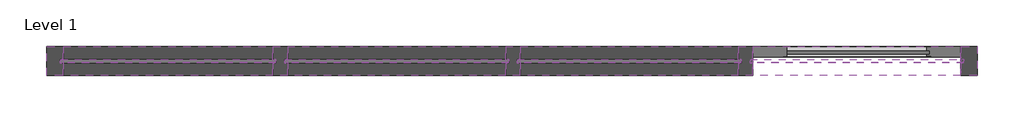
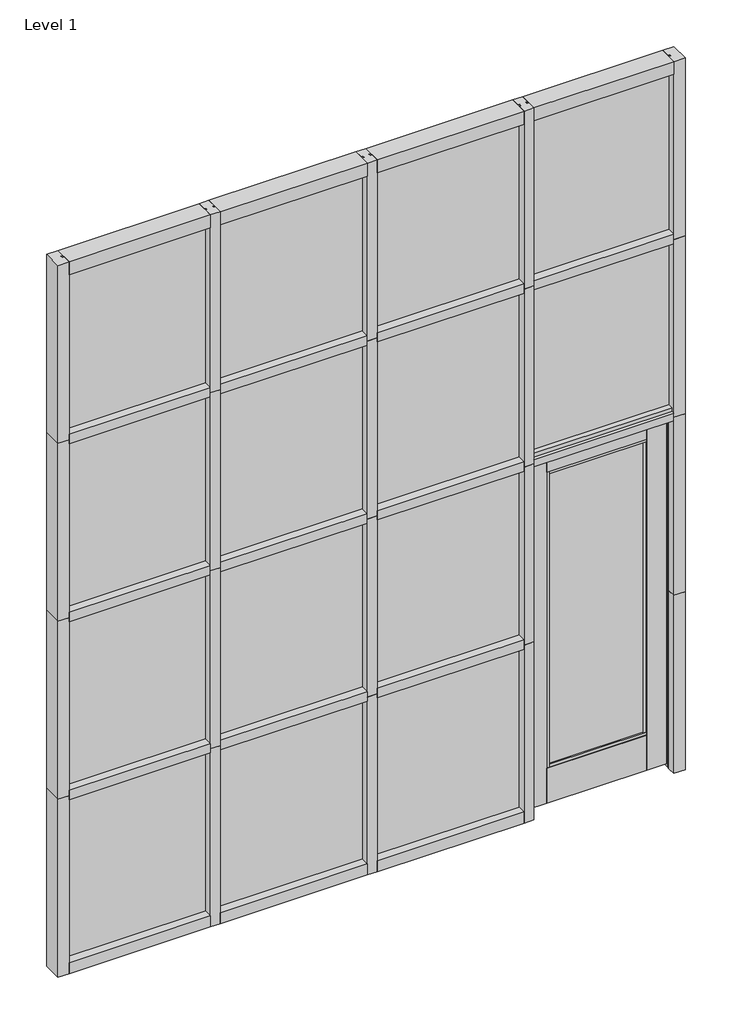
# One storey: 38 members, 15 plates.
"""IFC4 building model written with IfcOpenShell, lengths in millimetres."""

import ifcopenshell
import ifcopenshell.guid

model = None  # the IFC model being written
_history = None  # IfcOwnerHistory: only IFC2X3 demands one
_inside = {}  # id of a spatial element -> (the spatial element, [elements in it])
_under = {}  # id of a project, library or spatial element -> (it, [spatial elements below it])
_declared = {}  # id of a project -> (the project, [libraries it declares])
_typed = {}  # id of a type object -> (the type object, [elements of that type])
_made_of = {}  # id of a material, layer set ... -> (it, [elements and type objects made of it])


def new_model(schema):
    """Start an empty IFC model of exactly this schema.

    Asked for "IFC4X3", IfcOpenShell would pick the latest addendum, in which some entities
    have other attributes; the version numbers below select the first issue.
    IFC2X3 requires an IfcOwnerHistory on every rooted entity: one is made here for all.
    """
    global model, _history
    if schema == "IFC4X3":
        model = ifcopenshell.file(schema_version=(4, 3, 0, 0))
    else:
        model = ifcopenshell.file(schema=schema)
    _inside.clear()
    _under.clear()
    _declared.clear()
    _typed.clear()
    _made_of.clear()
    _history = None
    if model.schema == "IFC2X3":
        org = make("IfcOrganization", Name="unknown")
        user = make(
            "IfcPersonAndOrganization",
            ThePerson=make("IfcPerson", FamilyName="unknown"),
            TheOrganization=org,
        )
        app = make(
            "IfcApplication",
            ApplicationDeveloper=org,
            Version="unknown",
            ApplicationFullName="unknown",
            ApplicationIdentifier="unknown",
        )
        _history = make(
            "IfcOwnerHistory",
            OwningUser=user,
            OwningApplication=app,
            ChangeAction="ADDED",
            CreationDate=0,
        )
    return model


def make(cls, **values):
    """One entity of the class cls with the attributes given. An attribute that is None is left unset."""
    return model.create_entity(
        cls, **{name: value for name, value in values.items() if value is not None}
    )


def rooted(cls, **values):
    """An entity with a GlobalId (a new one), such as an element, a storey or a relation."""
    return make(cls, GlobalId=ifcopenshell.guid.new(), OwnerHistory=_history, **values)


def si_unit(unit_type, name, prefix=None):
    """IfcSIUnit, for example si_unit("LENGTHUNIT", "METRE", prefix="MILLI")."""
    return make("IfcSIUnit", UnitType=unit_type, Prefix=prefix, Name=name)


def assignment(units):
    """IfcUnitAssignment: the units of a project."""
    return None if units is None else make("IfcUnitAssignment", Units=units)


def point(xyz):
    """IfcCartesianPoint."""
    return None if xyz is None else make("IfcCartesianPoint", Coordinates=xyz)


def direction(xyz):
    """IfcDirection."""
    return None if xyz is None else make("IfcDirection", DirectionRatios=xyz)


def frame(location, z_axis=None, x_axis=None):
    """IfcAxis2Placement3D, a coordinate frame: its origin and axes. An axis left out is left unset."""
    return make(
        "IfcAxis2Placement3D",
        Location=point(location),
        Axis=direction(z_axis),
        RefDirection=direction(x_axis),
    )


def origin():
    """The frame at (0, 0, 0) with its axes left unset."""
    return frame((0.0, 0.0, 0.0))


def origin_with_axes():
    """The frame at (0, 0, 0) with the z axis (0, 0, 1) and the x axis (1, 0, 0) written out."""
    return frame((0.0, 0.0, 0.0), z_axis=(0.0, 0.0, 1.0), x_axis=(1.0, 0.0, 0.0))


def place(relative_to, where):
    """IfcLocalPlacement: puts the frame where relative to a parent placement (None: the world)."""
    return make(
        "IfcLocalPlacement", PlacementRelTo=relative_to, RelativePlacement=where
    )


def context(
    kind, dimensions, precision=None, world=None, true_north=None, identifier=None
):
    """IfcGeometricRepresentationContext, for example the 3D "Model" context."""
    return make(
        "IfcGeometricRepresentationContext",
        ContextIdentifier=identifier,
        ContextType=kind,
        CoordinateSpaceDimension=dimensions,
        Precision=precision,
        WorldCoordinateSystem=world,
        TrueNorth=true_north,
    )


def project(units=None, contexts=None):
    """IfcProject with its units and contexts."""
    return rooted(
        "IfcProject",
        Name="project",
        RepresentationContexts=contexts,
        UnitsInContext=assignment(units),
    )


def spatial(cls, under=None, at=None, **own):
    """A site, building, storey or space (cls), placed at a placement, below another one or the project."""
    s = rooted(cls, ObjectPlacement=at, **own)
    if under is not None:
        _under.setdefault(under.id(), (under, []))[1].append(s)
    return s


def polyline(points):
    """IfcPolyline through the points."""
    return make("IfcPolyline", Points=[point(p) for p in points])


def outline(outer, holes=None, kind="AREA"):
    """IfcArbitraryClosedProfileDef: a profile drawn as a closed curve; with holes, ...WithVoids."""
    if holes is None:
        return make("IfcArbitraryClosedProfileDef", ProfileType=kind, OuterCurve=outer)
    return make(
        "IfcArbitraryProfileDefWithVoids",
        ProfileType=kind,
        OuterCurve=outer,
        InnerCurves=holes,
    )


def extrude(swept, where, along, depth):
    """IfcExtrudedAreaSolid: the profile swept, set in the frame where, extruded along a direction by depth."""
    return make(
        "IfcExtrudedAreaSolid",
        SweptArea=swept,
        Position=where,
        ExtrudedDirection=direction(along),
        Depth=depth,
    )


def shape(context_of_items, identifier, shape_type, items):
    """IfcShapeRepresentation: the items that make up one representation, for example the "Body"."""
    return make(
        "IfcShapeRepresentation",
        ContextOfItems=context_of_items,
        RepresentationIdentifier=identifier,
        RepresentationType=shape_type,
        Items=items,
    )


def source(mapping_origin, context_of_items, identifier, shape_type, items):
    """IfcRepresentationMap: a shape defined once, which mapped items show again and again."""
    return make(
        "IfcRepresentationMap",
        MappingOrigin=mapping_origin,
        MappedRepresentation=shape(context_of_items, identifier, shape_type, items),
    )


def transform(
    local_origin,
    x_axis=None,
    y_axis=None,
    z_axis=None,
    scale=None,
    scale2=None,
    scale3=None,
    uniform=True,
):
    """IfcCartesianTransformationOperator3D, or its non-uniform kind. x_axis, y_axis, z_axis: its Axis1, 2, 3."""
    if uniform:
        return make(
            "IfcCartesianTransformationOperator3D",
            Axis1=direction(x_axis),
            Axis2=direction(y_axis),
            LocalOrigin=point(local_origin),
            Scale=scale,
            Axis3=direction(z_axis),
        )
    return make(
        "IfcCartesianTransformationOperator3DnonUniform",
        Axis1=direction(x_axis),
        Axis2=direction(y_axis),
        LocalOrigin=point(local_origin),
        Scale=scale,
        Axis3=direction(z_axis),
        Scale2=scale2,
        Scale3=scale3,
    )


def mapped(mapping_source, mapping_target):
    """IfcMappedItem: shows the shape of a source again, moved by a transform."""
    return make(
        "IfcMappedItem", MappingSource=mapping_source, MappingTarget=mapping_target
    )


def made_of(thing, what):
    """Note that an element or type object is made of a material, layer set ...; save() writes the relation."""
    if what is not None:
        _made_of.setdefault(what.id(), (what, []))[1].append(thing)
    return thing


def element(
    cls,
    number,
    at=None,
    inside=None,
    cuts=None,
    type_object=None,
    material=None,
    context=None,
    identifier="Body",
    shape_type=None,
    held_by="IfcProductDefinitionShape",
    body=None,
    shapes=None,
    **own,
):
    """One element of the class cls, such as IfcWall. Its Tag is "e" and its number.

    at: its placement. inside: the storey or other place that contains it. cuts: it is an
    opening in that element (IfcRelVoidsElement). A single representation is given by context,
    identifier, shape_type and body (its items); several are given by shapes. held_by: the class
    of the entity that holds the representations. save() writes the other relations.
    """
    e = rooted(cls, Tag="e%d" % number, ObjectPlacement=at, **own)
    if body is not None:
        shapes = [shape(context, identifier, shape_type, body)]
    if shapes is not None:
        e.Representation = make(held_by, Representations=shapes)
    if inside is not None:
        _inside.setdefault(inside.id(), (inside, []))[1].append(e)
    if cuts is not None:
        rooted(
            "IfcRelVoidsElement", RelatingBuildingElement=cuts, RelatedOpeningElement=e
        )
    if type_object is not None:
        _typed.setdefault(type_object.id(), (type_object, []))[1].append(e)
    return made_of(e, material)


def aggregate(whole, parts):
    """IfcRelAggregates: a whole, such as a stair, and the parts it consists of."""
    return rooted("IfcRelAggregates", RelatingObject=whole, RelatedObjects=parts)


def save(model, path):
    """Write the relations noted so far, then the file.

    IfcRelAggregates (storeys below a building ...), IfcRelContainedInSpatialStructure (elements
    in a storey), IfcRelDefinesByType, IfcRelAssociatesMaterial and IfcRelDeclares: one each for
    every whole, place, type object, material and project.
    """
    for whole, parts in _under.values():
        aggregate(whole, parts)
    for where, things in _inside.values():
        rooted(
            "IfcRelContainedInSpatialStructure",
            RelatedElements=things,
            RelatingStructure=where,
        )
    for kind, things in _typed.values():
        rooted("IfcRelDefinesByType", RelatedObjects=things, RelatingType=kind)
    for what, things in _made_of.values():
        rooted("IfcRelAssociatesMaterial", RelatedObjects=things, RelatingMaterial=what)
    for by, libraries in _declared.values():
        rooted("IfcRelDeclares", RelatingContext=by, RelatedDefinitions=libraries)
    model.write(path)


def rectangular_mullion_9932b92d(model_context):
    return source(origin(), model_context, "Body", "SweptSolid", [
        extrude(outline(polyline([(36.0844027, 62.70625), (36.0844027, 7.14375), (23.3826322, 7.14375), (23.3826322, -7.14375), (36.0844027, -7.14375), (36.0844027, -64.29375), (-27.4155973, -64.29375), (-27.4155973, -7.14375), (-14.7155973, -7.14375), (-14.7155973, 7.14375), (-27.4155973, 7.14375), (-27.4155973, 62.70625), (36.0844027, 62.70625)])), frame((0.0, 0.0, -1219.2), z_axis=(0.0, 0.0, 1.0), x_axis=(1.0, 0.0, 0.0)), (0.0, 0.0, 1.0), 1219.2),
    ])


def rectangular_mullion_a18f72ee(model_context):
    return source(origin(), model_context, "Body", "SweptSolid", [
        extrude(outline(polyline([(-73.025, 62.70625), (0.0, 62.70625), (0.0, -64.29375), (-73.025, -64.29375), (-73.025, -7.14375), (-60.3232296, -7.14375), (-60.3232296, 7.14375), (-73.025, 7.14375), (-73.025, 62.70625)])), frame((0.0, 0.0, -1219.2), z_axis=(0.0, 0.0, 1.0), x_axis=(1.0, 0.0, 0.0)), (0.0, 0.0, 1.0), 1219.2),
    ])


def rectangular_mullion_b2f07a46(model_context):
    return source(origin(), model_context, "Body", "SweptSolid", [
        extrude(outline(polyline([(-88.9, 62.70625), (0.0, 62.70625), (0.0, -64.29375), (-88.9, -64.29375), (-88.9, -7.14375), (-76.1982296, -7.14375), (-76.1982296, 7.14375), (-88.9, 7.14375), (-88.9, 62.70625)])), frame((0.0, 0.0, -915.5594027), z_axis=(0.0, 0.0, 1.0), x_axis=(1.0, 0.0, 0.0)), (0.0, 0.0, 1.0), 915.5594027),
    ])


def rectangular_mullion_1b595940(model_context):
    return source(origin(), model_context, "Body", "SweptSolid", [
        extrude(outline(polyline([(-76.2, 62.70625), (0.0, 62.70625), (0.0, -64.29375), (-76.2, -64.29375), (-76.2, -7.14375), (-57.15, -7.14375), (-57.15, 7.14375), (-76.2, 7.14375), (-76.2, 62.70625)])), frame((0.0, 0.0, -915.5594027), z_axis=(0.0, 0.0, 1.0), x_axis=(1.0, 0.0, 0.0)), (0.0, 0.0, 1.0), 915.5594027),
    ])


def rectangular_mullion_3dcb0897(model_context):
    return source(origin(), model_context, "Body", "SweptSolid", [
        extrude(outline(polyline([(-76.2, 62.70625), (0.0, 62.70625), (0.0, -64.29375), (-76.2, -64.29375), (-76.2, -7.14375), (-57.15, -7.14375), (-57.15, 7.14375), (-76.2, 7.14375), (-76.2, 62.70625)])), frame((0.0, 0.0, -952.5), z_axis=(0.0, 0.0, 1.0), x_axis=(1.0, 0.0, 0.0)), (0.0, 0.0, 1.0), 952.5),
    ])


def rectangular_mullion_8f17ec87(model_context):
    return source(origin(), model_context, "Body", "SweptSolid", [
        extrude(outline(polyline([(36.0844027, 62.70625), (36.0844027, 7.14375), (23.3826322, 7.14375), (23.3826322, -7.14375), (36.0844027, -7.14375), (36.0844027, -64.29375), (-27.4155973, -64.29375), (-27.4155973, -7.14375), (-14.7155973, -7.14375), (-14.7155973, 7.14375), (-27.4155973, 7.14375), (-27.4155973, 62.70625), (36.0844027, 62.70625)])), frame((0.0, 0.0, -915.5594027), z_axis=(0.0, 0.0, 1.0), x_axis=(1.0, 0.0, 0.0)), (0.0, 0.0, 1.0), 915.5594027),
    ])


def rectangular_mullion_ac06d126(model_context):
    return source(origin(), model_context, "Body", "SweptSolid", [
        extrude(outline(polyline([(36.0844027, 62.70625), (36.0844027, 7.14375), (23.3826322, 7.14375), (23.3826322, -7.14375), (36.0844027, -7.14375), (36.0844027, -64.29375), (-27.4155973, -64.29375), (-27.4155973, -7.14375), (-14.7155973, -7.14375), (-14.7155973, 7.14375), (-27.4155973, 7.14375), (-27.4155973, 62.70625), (36.0844027, 62.70625)])), frame((0.0, 0.0, -952.5), z_axis=(0.0, 0.0, 1.0), x_axis=(1.0, 0.0, 0.0)), (0.0, 0.0, 1.0), 952.5),
    ])


def rectangular_mullion_1ff6676a(model_context):
    return source(origin(), model_context, "Body", "SweptSolid", [
        extrude(outline(polyline([(-88.9, 62.70625), (0.0, 62.70625), (0.0, -64.29375), (-88.9, -64.29375), (-88.9, -7.14375), (-76.1982296, -7.14375), (-76.1982296, 7.14375), (-88.9, 7.14375), (-88.9, 62.70625)])), frame((0.0, 0.0, -952.5), z_axis=(0.0, 0.0, 1.0), x_axis=(1.0, 0.0, 0.0)), (0.0, 0.0, 1.0), 952.5),
    ])


def rectangular_mullion_aa4050dc(model_context):
    return source(origin(), model_context, "Body", "SweptSolid", [
        extrude(outline(polyline([(-88.9, 62.70625), (0.0, 62.70625), (0.0, -64.29375), (-88.9, -64.29375), (-88.9, -7.14375), (-76.1982296, -7.14375), (-76.1982296, 7.14375), (-88.9, 7.14375), (-88.9, 62.70625)])), frame((0.0, 0.0, -906.8905973), z_axis=(0.0, 0.0, 1.0), x_axis=(1.0, 0.0, 0.0)), (0.0, 0.0, 1.0), 906.8905973),
    ])


def rectangular_mullion_d6f1e755(model_context):
    return source(origin(), model_context, "Body", "SweptSolid", [
        extrude(outline(polyline([(36.0844027, 62.70625), (36.0844027, 7.14375), (23.3826322, 7.14375), (23.3826322, -7.14375), (36.0844027, -7.14375), (36.0844027, -64.29375), (-27.4155973, -64.29375), (-27.4155973, -7.14375), (-14.7155973, -7.14375), (-14.7155973, 7.14375), (-27.4155973, 7.14375), (-27.4155973, 62.70625), (36.0844027, 62.70625)])), frame((0.0, 0.0, -906.8905973), z_axis=(0.0, 0.0, 1.0), x_axis=(1.0, 0.0, 0.0)), (0.0, 0.0, 1.0), 906.8905973),
    ])


def rectangular_mullion_367ea30e(model_context):
    return source(origin(), model_context, "Body", "SweptSolid", [
        extrude(outline(polyline([(-73.025, 62.70625), (0.0, 62.70625), (0.0, -64.29375), (-73.025, -64.29375), (-73.025, -7.14375), (-73.025, 7.14375), (-73.025, 62.70625)])), frame((0.0, 0.0, -1219.2), z_axis=(0.0, 0.0, 1.0), x_axis=(1.0, 0.0, 0.0)), (0.0, 0.0, 1.0), 1219.2),
    ])


def rectangular_mullion_4c6cbe9d(model_context):
    return source(origin(), model_context, "Body", "SweptSolid", [
        extrude(outline(polyline([(36.0844027, 62.70625), (36.0844027, 7.14375), (36.0844027, -7.14375), (36.0844027, -64.29375), (-27.4155973, -64.29375), (-27.4155973, -7.14375), (-14.7155973, -7.14375), (-14.7155973, 7.14375), (-27.4155973, 7.14375), (-27.4155973, 62.70625), (36.0844027, 62.70625)])), frame((0.0, 0.0, -1219.2), z_axis=(0.0, 0.0, 1.0), x_axis=(1.0, 0.0, 0.0)), (0.0, 0.0, 1.0), 1219.2),
    ])


def rectangular_mullion_afcb6cf0(model_context):
    return source(origin(), model_context, "Body", "SweptSolid", [
        extrude(outline(polyline([(29.7344027, 62.70625), (29.7344027, 42.2598614), (55.1344027, 42.2598614), (55.1344027, 7.14375), (42.4344027, 7.14375), (42.4344027, -7.14375), (55.1344027, -7.14375), (55.1344027, -18.7722998), (29.7344027, -18.7722998), (29.7344027, -64.29375), (-21.0655973, -64.29375), (-21.0655973, -7.14375), (-21.0655973, 7.14375), (-21.0655973, 62.70625), (29.7344027, 62.70625)])), frame((0.0, 0.0, -906.8905973), z_axis=(0.0, 0.0, 1.0), x_axis=(1.0, 0.0, 0.0)), (0.0, 0.0, 1.0), 906.8905973),
    ])


def plate_94a75105(model_context):
    return source(origin(), model_context, "Body", "SweptSolid", [
        extrude(outline(polyline([(-451.8577987, 63.5), (-318.7616119, 63.5), (-318.7616119, 61.9401195), (-306.0616119, 61.9401195), (-306.0616119, 20.9195416), (-324.0507581, 20.9195416), (-324.0507581, 19.05), (-451.8577987, 19.05), (-451.8577987, 63.5)])), frame((0.0, 0.0, 17.4625), z_axis=(0.0, 0.0, 1.0), x_axis=(1.0, 0.0, 0.0)), (0.0, 0.0, 1.0), 2398.2844027),
        extrude(outline(polyline([(-319.7422944, 31.1236418), (-319.7422944, 45.4111418), (316.1419161, 45.4111418), (316.1419161, 31.1236418), (-319.7422944, 31.1236418)])), frame((0.0, 0.0, 263.906), z_axis=(0.0, 0.0, 1.0), x_axis=(1.0, 0.0, 0.0)), (0.0, 0.0, 1.0), 2016.9183887),
        extrude(outline(polyline([(451.8577987, 63.5), (451.8577987, 19.05), (324.0608737, 19.05), (324.0608737, 23.1552032), (306.0616119, 23.1552032), (306.0616119, 61.9401195), (324.0608737, 61.9401195), (324.0608737, 63.5), (451.8577987, 63.5)])), frame((0.0, 0.0, 17.4625), z_axis=(0.0, 0.0, 1.0), x_axis=(1.0, 0.0, 0.0)), (0.0, 0.0, 1.0), 2398.2844027),
        extrude(outline(polyline([(19.05, 2415.7469027), (63.5, 2415.7469027), (63.5, 2285.5896827), (61.9401195, 2285.5896827), (61.9401195, 2266.5368887), (20.9195416, 2266.5368887), (20.9195416, 2285.5896827), (19.05, 2285.5896827), (19.05, 2415.7469027)])), frame((-324.0507581, 0.0, 0.0), z_axis=(1.0, 0.0, 0.0), x_axis=(0.0, 1.0, 0.0)), (0.0, 0.0, 1.0), 648.1116317),
        extrude(outline(polyline([(20.9195416, 277.8125), (61.9401195, 277.8125), (61.9401195, 258.7303916), (63.5, 258.7303916), (63.5, 17.4625), (19.05, 17.4625), (19.05, 258.7303916), (20.9195416, 258.7303916), (20.9195416, 277.8125)])), frame((-324.0507581, 0.0, 0.0), z_axis=(1.0, 0.0, 0.0), x_axis=(0.0, 1.0, 0.0)), (0.0, 0.0, 1.0), 648.1116317),
    ])


def plate_4e260d57(model_context):
    return source(origin(), model_context, "Body", "SweptSolid", [
        extrude(outline(polyline([(470.4805865, -7.14375), (-470.4805865, -7.14375), (-470.4805865, 7.14375), (470.4805865, 7.14375), (470.4805865, -7.14375)])), origin_with_axes(), (0.0, 0.0, 1.0), 1147.3344027),
    ])


def plate_4f630e7c(model_context):
    return source(origin(), model_context, "Body", "SweptSolid", [
        extrude(outline(polyline([(488.9508852, -7.14375), (-488.9508852, -7.14375), (-488.9508852, 7.14375), (488.9508852, 7.14375), (488.9508852, -7.14375)])), origin_with_axes(), (0.0, 0.0, 1.0), 1147.3344027),
    ])


def plate_e203bad2(model_context):
    return source(origin(), model_context, "Body", "SweptSolid", [
        extrude(outline(polyline([(470.4805865, -7.14375), (-470.4805865, -7.14375), (-470.4805865, 7.14375), (470.4805865, 7.14375), (470.4805865, -7.14375)])), origin_with_axes(), (0.0, 0.0, 1.0), 1181.1017704),
    ])


def plate_d653ec06(model_context):
    return source(origin(), model_context, "Body", "SweptSolid", [
        extrude(outline(polyline([(488.9508852, -7.14375), (-488.9508852, -7.14375), (-488.9508852, 7.14375), (488.9508852, 7.14375), (488.9508852, -7.14375)])), origin_with_axes(), (0.0, 0.0, 1.0), 1181.1017704),
    ])


def plate_1d699aa7(model_context):
    return source(origin(), model_context, "Body", "SweptSolid", [
        extrude(outline(polyline([(466.1470691, -7.14375), (-466.1470691, -7.14375), (-466.1470691, 7.14375), (466.1470691, 7.14375), (466.1470691, -7.14375)])), origin_with_axes(), (0.0, 0.0, 1.0), 1162.05),
    ])


def plate_2c10ce86(model_context):
    return source(origin(), model_context, "Body", "SweptSolid", [
        extrude(outline(polyline([(470.4805865, -7.14375), (-470.4805865, -7.14375), (-470.4805865, 7.14375), (470.4805865, 7.14375), (470.4805865, -7.14375)])), origin_with_axes(), (0.0, 0.0, 1.0), 1119.6191382),
    ])


def plate_c530a03d(model_context):
    return source(origin(), model_context, "Body", "SweptSolid", [
        extrude(outline(polyline([(488.9508852, -7.14375), (-488.9508852, -7.14375), (-488.9508852, 7.14375), (488.9508852, 7.14375), (488.9508852, -7.14375)])), origin_with_axes(), (0.0, 0.0, 1.0), 1119.6191382),
    ])


def plate_acc3c3b3(model_context):
    return source(origin(), model_context, "Body", "SweptSolid", [
        extrude(outline(polyline([(466.1470691, -7.14375), (-466.1470691, -7.14375), (-466.1470691, 7.14375), (466.1470691, 7.14375), (466.1470691, -7.14375)])), origin_with_axes(), (0.0, 0.0, 1.0), 1119.6191382),
    ])


model = new_model("IFC4")

# Units and contexts
model_context = context("Model", 3, world=origin())
ifc_project = project(units=[si_unit("LENGTHUNIT", "METRE", prefix="MILLI")], contexts=[model_context])

# Site, building, storey
site = spatial("IfcSite", under=ifc_project)
building = spatial("IfcBuilding", under=site)
storey = spatial("IfcBuildingStorey", under=building, Name="Level 1", Elevation=0.0)

# Members
placement = place(None, origin())
rectangular_mullion_shape = rectangular_mullion_9932b92d(model_context)
element("IfcMember", 1, ObjectType="Rectangular Mullion", at=placement, inside=storey, context=model_context, shape_type="MappedRepresentation", body=[
    mapped(rectangular_mullion_shape, transform((5117.3882675, 4173.5366393, 0.0), x_axis=(1.0, 0.0, 0.0), y_axis=(0.0, -1.0, 0.0), z_axis=(0.0, 0.0, -1.0))),
])
element("IfcMember", 2, ObjectType="Rectangular Mullion", at=placement, inside=storey, context=model_context, shape_type="MappedRepresentation", body=[
    mapped(rectangular_mullion_shape, transform((6133.3882675, 4173.5366393, 0.0), x_axis=(1.0, 0.0, 0.0), y_axis=(0.0, -1.0, 0.0), z_axis=(0.0, 0.0, -1.0))),
])
element("IfcMember", 3, ObjectType="Rectangular Mullion", at=placement, inside=storey, context=model_context, shape_type="MappedRepresentation", body=[
    mapped(rectangular_mullion_shape, transform((7149.3882675, 4173.5366393, 2438.4), x_axis=(1.0, 0.0, 0.0), y_axis=(0.0, -1.0, 0.0), z_axis=(0.0, 0.0, -1.0))),
])
element("IfcMember", 4, ObjectType="Rectangular Mullion", at=placement, inside=storey, context=model_context, shape_type="MappedRepresentation", body=[
    mapped(rectangular_mullion_shape, transform((5117.3882675, 4173.5366393, 1219.2), x_axis=(1.0, 0.0, 0.0), y_axis=(0.0, -1.0, 0.0), z_axis=(0.0, 0.0, -1.0))),
])
element("IfcMember", 5, ObjectType="Rectangular Mullion", at=placement, inside=storey, context=model_context, shape_type="MappedRepresentation", body=[
    mapped(rectangular_mullion_shape, transform((6133.3882675, 4173.5366393, 1219.2), x_axis=(1.0, 0.0, 0.0), y_axis=(0.0, -1.0, 0.0), z_axis=(0.0, 0.0, -1.0))),
])
element("IfcMember", 6, ObjectType="Rectangular Mullion", at=placement, inside=storey, context=model_context, shape_type="MappedRepresentation", body=[
    mapped(rectangular_mullion_shape, transform((5117.3882675, 4173.5366393, 2438.4), x_axis=(1.0, 0.0, 0.0), y_axis=(0.0, -1.0, 0.0), z_axis=(0.0, 0.0, -1.0))),
])
element("IfcMember", 7, ObjectType="Rectangular Mullion", at=placement, inside=storey, context=model_context, shape_type="MappedRepresentation", body=[
    mapped(rectangular_mullion_shape, transform((6133.3882675, 4173.5366393, 2438.4), x_axis=(1.0, 0.0, 0.0), y_axis=(0.0, -1.0, 0.0), z_axis=(0.0, 0.0, -1.0))),
])
element("IfcMember", 8, ObjectType="Rectangular Mullion", at=placement, inside=storey, context=model_context, shape_type="MappedRepresentation", body=[
    mapped(rectangular_mullion_shape, transform((5117.3882675, 4173.5366393, 3657.6), x_axis=(1.0, 0.0, 0.0), y_axis=(0.0, -1.0, 0.0), z_axis=(0.0, 0.0, -1.0))),
])
element("IfcMember", 9, ObjectType="Rectangular Mullion", at=placement, inside=storey, context=model_context, shape_type="MappedRepresentation", body=[
    mapped(rectangular_mullion_shape, transform((6133.3882675, 4173.5366393, 3657.6), x_axis=(1.0, 0.0, 0.0), y_axis=(0.0, -1.0, 0.0), z_axis=(0.0, 0.0, -1.0))),
])
element("IfcMember", 10, ObjectType="Rectangular Mullion", at=placement, inside=storey, context=model_context, shape_type="MappedRepresentation", body=[
    mapped(rectangular_mullion_shape, transform((7149.3882675, 4173.5366393, 3657.6), x_axis=(1.0, 0.0, 0.0), y_axis=(0.0, -1.0, 0.0), z_axis=(0.0, 0.0, -1.0))),
])
rectangular_mullion_2_shape = rectangular_mullion_a18f72ee(model_context)
element("IfcMember", 11, ObjectType="Rectangular Mullion", at=placement, inside=storey, context=model_context, shape_type="MappedRepresentation", body=[
    mapped(rectangular_mullion_2_shape, transform((4101.3882675, 4173.5366393, 4876.8), x_axis=(-1.0, 0.0, 0.0), y_axis=(0.0, -1.0, 0.0), z_axis=(0.0, 0.0, 1.0))),
])
element("IfcMember", 12, ObjectType="Rectangular Mullion", at=placement, inside=storey, context=model_context, shape_type="MappedRepresentation", body=[
    mapped(rectangular_mullion_2_shape, transform((4101.3882675, 4173.5366393, 1219.2), x_axis=(-1.0, 0.0, 0.0), y_axis=(0.0, -1.0, 0.0), z_axis=(0.0, 0.0, 1.0))),
])
element("IfcMember", 13, ObjectType="Rectangular Mullion", at=placement, inside=storey, context=model_context, shape_type="MappedRepresentation", body=[
    mapped(rectangular_mullion_2_shape, transform((4101.3882675, 4173.5366393, 2438.4), x_axis=(-1.0, 0.0, 0.0), y_axis=(0.0, -1.0, 0.0), z_axis=(0.0, 0.0, 1.0))),
])
element("IfcMember", 14, ObjectType="Rectangular Mullion", at=placement, inside=storey, context=model_context, shape_type="MappedRepresentation", body=[
    mapped(rectangular_mullion_2_shape, transform((4101.3882675, 4173.5366393, 3657.6), x_axis=(-1.0, 0.0, 0.0), y_axis=(0.0, -1.0, 0.0), z_axis=(0.0, 0.0, 1.0))),
])
element("IfcMember", 15, ObjectType="Rectangular Mullion", at=placement, inside=storey, context=model_context, shape_type="MappedRepresentation", body=[
    mapped(rectangular_mullion_2_shape, transform((8165.3882675, 4173.5366393, 3657.6), x_axis=(1.0, 0.0, 0.0), y_axis=(0.0, -1.0, 0.0), z_axis=(0.0, 0.0, -1.0))),
])
rectangular_mullion_3_shape = rectangular_mullion_b2f07a46(model_context)
element("IfcMember", 16, ObjectType="Rectangular Mullion", at=placement, inside=storey, context=model_context, shape_type="MappedRepresentation", body=[
    mapped(rectangular_mullion_3_shape, transform((5089.9726702, 4173.5366393, 4876.8), x_axis=(0.0, 0.0, 1.0), y_axis=(0.0, -1.0, 0.0), z_axis=(1.0, 0.0, 0.0))),
])
rectangular_mullion_4_shape = rectangular_mullion_1b595940(model_context)
element("IfcMember", 17, ObjectType="Rectangular Mullion", at=placement, inside=storey, context=model_context, shape_type="MappedRepresentation", body=[
    mapped(rectangular_mullion_4_shape, transform((4174.4132675, 4173.5366393, 0.0), x_axis=(0.0, 0.0, -1.0), y_axis=(0.0, -1.0, 0.0), z_axis=(-1.0, 0.0, 0.0))),
])
rectangular_mullion_5_shape = rectangular_mullion_3dcb0897(model_context)
element("IfcMember", 18, ObjectType="Rectangular Mullion", at=placement, inside=storey, context=model_context, shape_type="MappedRepresentation", body=[
    mapped(rectangular_mullion_5_shape, transform((5153.4726702, 4173.5366393, 0.0), x_axis=(0.0, 0.0, -1.0), y_axis=(0.0, -1.0, 0.0), z_axis=(-1.0, 0.0, 0.0))),
])
element("IfcMember", 19, ObjectType="Rectangular Mullion", at=placement, inside=storey, context=model_context, shape_type="MappedRepresentation", body=[
    mapped(rectangular_mullion_5_shape, transform((6169.4726702, 4173.5366393, 0.0), x_axis=(0.0, 0.0, -1.0), y_axis=(0.0, -1.0, 0.0), z_axis=(-1.0, 0.0, 0.0))),
])
rectangular_mullion_6_shape = rectangular_mullion_8f17ec87(model_context)
element("IfcMember", 20, ObjectType="Rectangular Mullion", at=placement, inside=storey, context=model_context, shape_type="MappedRepresentation", body=[
    mapped(rectangular_mullion_6_shape, transform((5089.9726702, 4173.5366393, 1219.2), x_axis=(0.0, 0.0, 1.0), y_axis=(0.0, -1.0, 0.0), z_axis=(1.0, 0.0, 0.0))),
])
element("IfcMember", 21, ObjectType="Rectangular Mullion", at=placement, inside=storey, context=model_context, shape_type="MappedRepresentation", body=[
    mapped(rectangular_mullion_6_shape, transform((5089.9726702, 4173.5366393, 2438.4), x_axis=(0.0, 0.0, 1.0), y_axis=(0.0, -1.0, 0.0), z_axis=(1.0, 0.0, 0.0))),
])
element("IfcMember", 22, ObjectType="Rectangular Mullion", at=placement, inside=storey, context=model_context, shape_type="MappedRepresentation", body=[
    mapped(rectangular_mullion_6_shape, transform((5089.9726702, 4173.5366393, 3657.6), x_axis=(0.0, 0.0, 1.0), y_axis=(0.0, -1.0, 0.0), z_axis=(1.0, 0.0, 0.0))),
])
rectangular_mullion_7_shape = rectangular_mullion_ac06d126(model_context)
element("IfcMember", 23, ObjectType="Rectangular Mullion", at=placement, inside=storey, context=model_context, shape_type="MappedRepresentation", body=[
    mapped(rectangular_mullion_7_shape, transform((6105.9726702, 4173.5366393, 1219.2), x_axis=(0.0, 0.0, 1.0), y_axis=(0.0, -1.0, 0.0), z_axis=(1.0, 0.0, 0.0))),
])
element("IfcMember", 24, ObjectType="Rectangular Mullion", at=placement, inside=storey, context=model_context, shape_type="MappedRepresentation", body=[
    mapped(rectangular_mullion_7_shape, transform((7121.9726702, 4173.5366393, 1219.2), x_axis=(0.0, 0.0, 1.0), y_axis=(0.0, -1.0, 0.0), z_axis=(1.0, 0.0, 0.0))),
])
element("IfcMember", 25, ObjectType="Rectangular Mullion", at=placement, inside=storey, context=model_context, shape_type="MappedRepresentation", body=[
    mapped(rectangular_mullion_7_shape, transform((6105.9726702, 4173.5366393, 2438.4), x_axis=(0.0, 0.0, 1.0), y_axis=(0.0, -1.0, 0.0), z_axis=(1.0, 0.0, 0.0))),
])
element("IfcMember", 26, ObjectType="Rectangular Mullion", at=placement, inside=storey, context=model_context, shape_type="MappedRepresentation", body=[
    mapped(rectangular_mullion_7_shape, transform((7121.9726702, 4173.5366393, 2438.4), x_axis=(0.0, 0.0, 1.0), y_axis=(0.0, -1.0, 0.0), z_axis=(1.0, 0.0, 0.0))),
])
element("IfcMember", 27, ObjectType="Rectangular Mullion", at=placement, inside=storey, context=model_context, shape_type="MappedRepresentation", body=[
    mapped(rectangular_mullion_7_shape, transform((6105.9726702, 4173.5366393, 3657.6), x_axis=(0.0, 0.0, 1.0), y_axis=(0.0, -1.0, 0.0), z_axis=(1.0, 0.0, 0.0))),
])
element("IfcMember", 28, ObjectType="Rectangular Mullion", at=placement, inside=storey, context=model_context, shape_type="MappedRepresentation", body=[
    mapped(rectangular_mullion_7_shape, transform((7121.9726702, 4173.5366393, 3657.6), x_axis=(0.0, 0.0, 1.0), y_axis=(0.0, -1.0, 0.0), z_axis=(1.0, 0.0, 0.0))),
])
rectangular_mullion_8_shape = rectangular_mullion_1ff6676a(model_context)
element("IfcMember", 29, ObjectType="Rectangular Mullion", at=placement, inside=storey, context=model_context, shape_type="MappedRepresentation", body=[
    mapped(rectangular_mullion_8_shape, transform((6105.9726702, 4173.5366393, 4876.8), x_axis=(0.0, 0.0, 1.0), y_axis=(0.0, -1.0, 0.0), z_axis=(1.0, 0.0, 0.0))),
])
element("IfcMember", 30, ObjectType="Rectangular Mullion", at=placement, inside=storey, context=model_context, shape_type="MappedRepresentation", body=[
    mapped(rectangular_mullion_8_shape, transform((7121.9726702, 4173.5366393, 4876.8), x_axis=(0.0, 0.0, 1.0), y_axis=(0.0, -1.0, 0.0), z_axis=(1.0, 0.0, 0.0))),
])
rectangular_mullion_9_shape = rectangular_mullion_aa4050dc(model_context)
element("IfcMember", 31, ObjectType="Rectangular Mullion", at=placement, inside=storey, context=model_context, shape_type="MappedRepresentation", body=[
    mapped(rectangular_mullion_9_shape, transform((8092.3632675, 4173.5366393, 4876.8), x_axis=(0.0, 0.0, 1.0), y_axis=(0.0, -1.0, 0.0), z_axis=(1.0, 0.0, 0.0))),
])
rectangular_mullion_10_shape = rectangular_mullion_d6f1e755(model_context)
element("IfcMember", 32, ObjectType="Rectangular Mullion", at=placement, inside=storey, context=model_context, shape_type="MappedRepresentation", body=[
    mapped(rectangular_mullion_10_shape, transform((8092.3632675, 4173.5366393, 3657.6), x_axis=(0.0, 0.0, 1.0), y_axis=(0.0, -1.0, 0.0), z_axis=(1.0, 0.0, 0.0))),
])
rectangular_mullion_11_shape = rectangular_mullion_367ea30e(model_context)
element("IfcMember", 33, ObjectType="Rectangular Mullion", at=placement, inside=storey, context=model_context, shape_type="MappedRepresentation", body=[
    mapped(rectangular_mullion_11_shape, transform((8165.3882675, 4173.5366393, 0.0), x_axis=(1.0, 0.0, 0.0), y_axis=(0.0, -1.0, 0.0), z_axis=(0.0, 0.0, -1.0))),
])
element("IfcMember", 34, ObjectType="Rectangular Mullion", at=placement, inside=storey, context=model_context, shape_type="MappedRepresentation", body=[
    mapped(rectangular_mullion_11_shape, transform((8165.3882675, 4173.5366393, 1219.2), x_axis=(1.0, 0.0, 0.0), y_axis=(0.0, -1.0, 0.0), z_axis=(0.0, 0.0, -1.0))),
])
element("IfcMember", 35, ObjectType="Rectangular Mullion", at=placement, inside=storey, context=model_context, shape_type="MappedRepresentation", body=[
    mapped(rectangular_mullion_2_shape, transform((8165.3882675, 4173.5366393, 2438.4), x_axis=(1.0, 0.0, 0.0), y_axis=(0.0, -1.0, 0.0), z_axis=(0.0, 0.0, -1.0))),
])
rectangular_mullion_12_shape = rectangular_mullion_4c6cbe9d(model_context)
element("IfcMember", 36, ObjectType="Rectangular Mullion", at=placement, inside=storey, context=model_context, shape_type="MappedRepresentation", body=[
    mapped(rectangular_mullion_12_shape, transform((7149.3882675, 4173.5366393, 0.0), x_axis=(1.0, 0.0, 0.0), y_axis=(0.0, -1.0, 0.0), z_axis=(0.0, 0.0, -1.0))),
])
element("IfcMember", 37, ObjectType="Rectangular Mullion", at=placement, inside=storey, context=model_context, shape_type="MappedRepresentation", body=[
    mapped(rectangular_mullion_12_shape, transform((7149.3882675, 4173.5366393, 1219.2), x_axis=(1.0, 0.0, 0.0), y_axis=(0.0, -1.0, 0.0), z_axis=(0.0, 0.0, -1.0))),
])
rectangular_mullion_13_shape = rectangular_mullion_afcb6cf0(model_context)
element("IfcMember", 38, ObjectType="Rectangular Mullion", at=placement, inside=storey, context=model_context, shape_type="MappedRepresentation", body=[
    mapped(rectangular_mullion_13_shape, transform((8092.3632675, 4173.5366393, 2438.4), x_axis=(0.0, 0.0, 1.0), y_axis=(0.0, -1.0, 0.0), z_axis=(1.0, 0.0, 0.0))),
])

# Plates
plate_shape = plate_94a75105(model_context)
element("IfcPlate", 39, at=placement, inside=storey, context=model_context, shape_type="MappedRepresentation", body=[
    mapped(plate_shape, transform((7638.9179689, 4173.5366393, 0.0), x_axis=(1.0, 0.0, 0.0), y_axis=(0.0, 1.0, 0.0), z_axis=(0.0, 0.0, 1.0))),
])
plate_2_shape = plate_4e260d57(model_context)
element("IfcPlate", 40, ObjectType="System Panel : 9/16\" Glass Solid", at=placement, inside=storey, context=model_context, shape_type="MappedRepresentation", body=[
    mapped(plate_2_shape, transform((4632.1920837, 4173.5366393, 57.15), x_axis=(1.0, 0.0, 0.0), y_axis=(0.0, 1.0, 0.0), z_axis=(0.0, 0.0, 1.0))),
])
plate_3_shape = plate_4f630e7c(model_context)
element("IfcPlate", 41, ObjectType="System Panel : 9/16\" Glass Solid", at=placement, inside=storey, context=model_context, shape_type="MappedRepresentation", body=[
    mapped(plate_3_shape, transform((5629.721785, 4173.5366393, 57.15), x_axis=(1.0, 0.0, 0.0), y_axis=(0.0, 1.0, 0.0), z_axis=(0.0, 0.0, 1.0))),
])
element("IfcPlate", 42, ObjectType="System Panel : 9/16\" Glass Solid", at=placement, inside=storey, context=model_context, shape_type="MappedRepresentation", body=[
    mapped(plate_3_shape, transform((6645.721785, 4173.5366393, 57.15), x_axis=(1.0, 0.0, 0.0), y_axis=(0.0, 1.0, 0.0), z_axis=(0.0, 0.0, 1.0))),
])
plate_4_shape = plate_e203bad2(model_context)
element("IfcPlate", 43, ObjectType="System Panel : 9/16\" Glass Solid", at=placement, inside=storey, context=model_context, shape_type="MappedRepresentation", body=[
    mapped(plate_4_shape, transform((4632.1920837, 4173.5366393, 1242.5826322), x_axis=(1.0, 0.0, 0.0), y_axis=(0.0, 1.0, 0.0), z_axis=(0.0, 0.0, 1.0))),
])
element("IfcPlate", 44, ObjectType="System Panel : 9/16\" Glass Solid", at=placement, inside=storey, context=model_context, shape_type="MappedRepresentation", body=[
    mapped(plate_4_shape, transform((4632.1920837, 4173.5366393, 2461.7826322), x_axis=(1.0, 0.0, 0.0), y_axis=(0.0, 1.0, 0.0), z_axis=(0.0, 0.0, 1.0))),
])
plate_5_shape = plate_d653ec06(model_context)
element("IfcPlate", 45, ObjectType="System Panel : 9/16\" Glass Solid", at=placement, inside=storey, context=model_context, shape_type="MappedRepresentation", body=[
    mapped(plate_5_shape, transform((5629.721785, 4173.5366393, 1242.5826322), x_axis=(1.0, 0.0, 0.0), y_axis=(0.0, 1.0, 0.0), z_axis=(0.0, 0.0, 1.0))),
])
element("IfcPlate", 46, ObjectType="System Panel : 9/16\" Glass Solid", at=placement, inside=storey, context=model_context, shape_type="MappedRepresentation", body=[
    mapped(plate_5_shape, transform((6645.721785, 4173.5366393, 1242.5826322), x_axis=(1.0, 0.0, 0.0), y_axis=(0.0, 1.0, 0.0), z_axis=(0.0, 0.0, 1.0))),
])
element("IfcPlate", 47, ObjectType="System Panel : 9/16\" Glass Solid", at=placement, inside=storey, context=model_context, shape_type="MappedRepresentation", body=[
    mapped(plate_5_shape, transform((5629.721785, 4173.5366393, 2461.7826322), x_axis=(1.0, 0.0, 0.0), y_axis=(0.0, 1.0, 0.0), z_axis=(0.0, 0.0, 1.0))),
])
element("IfcPlate", 48, ObjectType="System Panel : 9/16\" Glass Solid", at=placement, inside=storey, context=model_context, shape_type="MappedRepresentation", body=[
    mapped(plate_5_shape, transform((6645.721785, 4173.5366393, 2461.7826322), x_axis=(1.0, 0.0, 0.0), y_axis=(0.0, 1.0, 0.0), z_axis=(0.0, 0.0, 1.0))),
])
plate_6_shape = plate_1d699aa7(model_context)
element("IfcPlate", 49, ObjectType="System Panel : 9/16\" Glass Solid", at=placement, inside=storey, context=model_context, shape_type="MappedRepresentation", body=[
    mapped(plate_6_shape, transform((7638.9179689, 4173.5366393, 2480.8344027), x_axis=(1.0, 0.0, 0.0), y_axis=(0.0, 1.0, 0.0), z_axis=(0.0, 0.0, 1.0))),
])
plate_7_shape = plate_2c10ce86(model_context)
element("IfcPlate", 50, ObjectType="System Panel : 9/16\" Glass Solid", at=placement, inside=storey, context=model_context, shape_type="MappedRepresentation", body=[
    mapped(plate_7_shape, transform((4632.1920837, 4173.5366393, 3680.9826322), x_axis=(1.0, 0.0, 0.0), y_axis=(0.0, 1.0, 0.0), z_axis=(0.0, 0.0, 1.0))),
])
plate_8_shape = plate_c530a03d(model_context)
element("IfcPlate", 51, ObjectType="System Panel : 9/16\" Glass Solid", at=placement, inside=storey, context=model_context, shape_type="MappedRepresentation", body=[
    mapped(plate_8_shape, transform((5629.721785, 4173.5366393, 3680.9826322), x_axis=(1.0, 0.0, 0.0), y_axis=(0.0, 1.0, 0.0), z_axis=(0.0, 0.0, 1.0))),
])
element("IfcPlate", 52, ObjectType="System Panel : 9/16\" Glass Solid", at=placement, inside=storey, context=model_context, shape_type="MappedRepresentation", body=[
    mapped(plate_8_shape, transform((6645.721785, 4173.5366393, 3680.9826322), x_axis=(1.0, 0.0, 0.0), y_axis=(0.0, 1.0, 0.0), z_axis=(0.0, 0.0, 1.0))),
])
plate_9_shape = plate_acc3c3b3(model_context)
element("IfcPlate", 53, ObjectType="System Panel : 9/16\" Glass Solid", at=placement, inside=storey, context=model_context, shape_type="MappedRepresentation", body=[
    mapped(plate_9_shape, transform((7638.9179689, 4173.5366393, 3680.9826322), x_axis=(1.0, 0.0, 0.0), y_axis=(0.0, 1.0, 0.0), z_axis=(0.0, 0.0, 1.0))),
])

save(model, "model.ifc")
